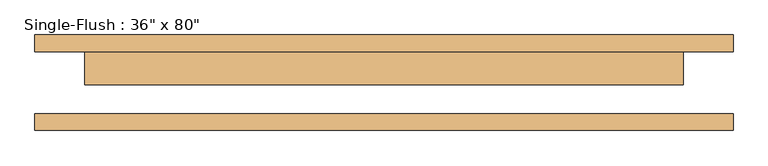
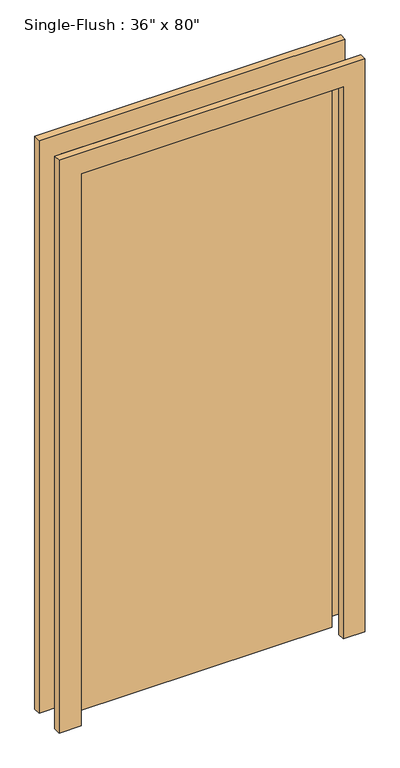
"""IFC4 building model written with IfcOpenShell, lengths in millimetres: door geometry."""

from ifc_helpers import new_model, si_unit, frame, origin, origin_with_axes, place, context, project, spatial, polyline, outline, extrude, source, transform, mapped, element, save


def door_cf5a424f(model_context):
    return source(origin(), model_context, "Body", "SweptSolid", [
        extrude(outline(polyline([(2108.2, -533.4), (0.0, -533.4), (0.0, -457.2), (2032.0, -457.2), (2032.0, 457.2), (0.0, 457.2), (0.0, 533.4), (2108.2, 533.4), (2108.2, -533.4)])), frame((0.0, 47.625, 0.0), z_axis=(0.0, 1.0, 0.0), x_axis=(0.0, 0.0, 1.0)), (0.0, 0.0, 1.0), 25.4),
        extrude(outline(polyline([(2108.2, 533.4), (2108.2, -533.4), (0.0, -533.4), (0.0, -457.2), (2032.0, -457.2), (2032.0, 457.2), (0.0, 457.2), (0.0, 533.4), (2108.2, 533.4)])), frame((0.0, -73.025, 0.0), z_axis=(0.0, 1.0, 0.0), x_axis=(0.0, 0.0, 1.0)), (0.0, 0.0, 1.0), 25.4),
        extrude(outline(polyline([(457.2, -3.175), (-457.2, -3.175), (-457.2, 47.625), (457.2, 47.625), (457.2, -3.175)])), origin_with_axes(), (0.0, 0.0, 1.0), 2032.0),
    ])


if __name__ == "__main__":
    model = new_model("IFC4")
    model_context = context("Model", 3, world=origin())
    ifc_project = project(units=[si_unit("LENGTHUNIT", "METRE", prefix="MILLI")], contexts=[model_context])
    site = spatial("IfcSite", under=ifc_project)
    building = spatial("IfcBuilding", under=site)
    placement = place(None, origin())
    door_shape = door_cf5a424f(model_context)
    element("IfcDoor", 1, ObjectType="Single-Flush : 36\" x 80\"", at=placement, inside=building, context=model_context, shape_type="MappedRepresentation", body=[
        mapped(door_shape, transform((0.0, 0.0, 0.0), x_axis=(1.0, 0.0, 0.0), y_axis=(0.0, 1.0, 0.0), z_axis=(0.0, 0.0, 1.0))),
    ])
    save(model, "model.ifc")
